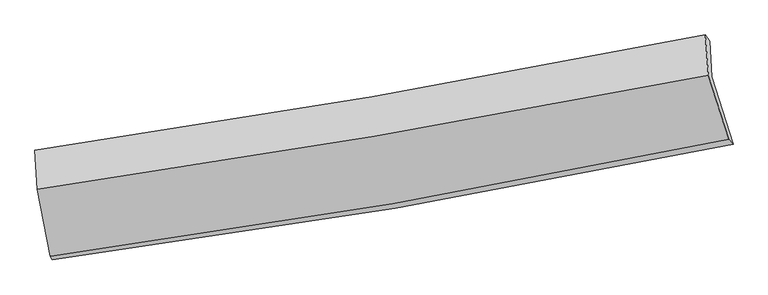
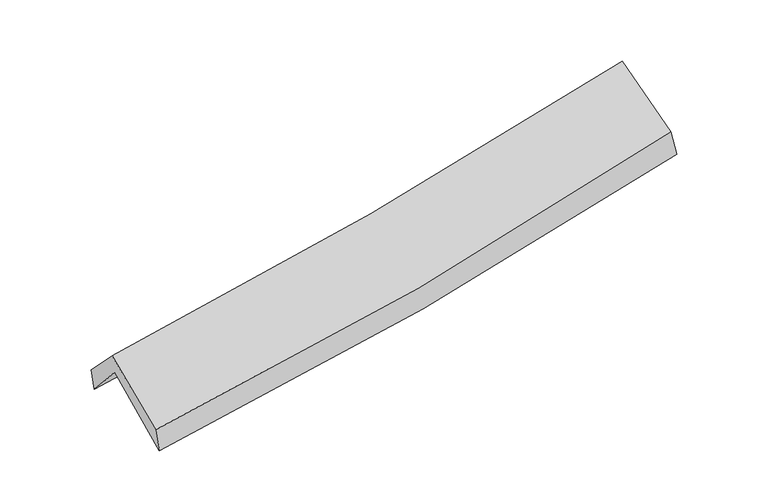
"""IFC4 building model written with IfcOpenShell, lengths in millimetres: proxy geometry."""

from ifc_helpers import new_model, si_unit, frame, origin, place, context, project, spatial, source, transform, mapped, element, save
from ifc_brep_helpers import plane_surface, spline_curve, spline_surface, advanced_brep


def generic_models_fd1964c9(model_context):
    return source(origin(), model_context, "Body", "AdvancedBrep", [
        advanced_brep(
        [(-2378.1962161, -2487.4761525, 1472.9893361), (-2474.1671163, -1993.3372876, 1921.4880822), (2395.9077483, -1160.5345161, 2366.7629735), (2551.346375, -1651.2232587, 1934.6091784), (-2489.949373, -1717.226318, 1602.3014447), (2384.096399, -904.7559943, 2049.0461803), (-2504.446693, -1693.8959068, 1773.5327307), (2350.8806337, -857.7620653, 2234.2280434), (-2486.1467567, -1974.0281654, 2062.9211692), (2371.8630864, -1148.2981743, 2535.7628254), (-2393.7133238, -2460.095753, 1651.4078124), (2519.1232813, -1613.1692386, 2126.3468815)],
        [
            (0, 1),
            (1, 2, spline_curve(3, [(-2474.1671163, -1993.3372876, 1921.4880822), (-1652.82533326, -1883.989625277, 1965.67910074), (-835.334424019, -1759.709971415, 2025.00818142), (787.986478789, -1481.964083006, 2173.580110409), (1593.853857646, -1328.642813214, 2262.675993263), (2395.9077483, -1160.5345161, 2366.7629735)], [4, 2, 4], [0.0, 8.210385929189588, 16.380820158628275])),
            (2, 3),
            (3, 0, spline_curve(3, [(2551.346375, -1651.2232587, 1934.6091784), (1739.799990247, -1820.837423491, 1832.385904441), (924.243288217, -1975.199573012, 1742.868703944), (-718.898260647, -2254.100060799, 1588.870859247), (-1546.522422102, -2378.488875763, 1524.514779147), (-2378.1962161, -2487.4761525, 1472.9893361)], [4, 2, 4], [0.0, 8.170434229438687, 16.380820158628275])),
            (1, 4),
            (4, 5, spline_curve(3, [(-2489.949373, -1717.226318, 1602.3014447), (-1669.666293438, -1606.181670532, 1653.245580158), (-852.37091965, -1482.758239081, 1716.066069163), (772.281998924, -1211.814620469, 1865.096280547), (1579.668548977, -1064.414610933, 1951.19070307), (2384.096399, -904.7559943, 2049.0461803)], [4, 2, 4], [0.0, 8.160815784922693, 16.281921078185974])),
            (5, 2),
            (4, 6),
            (6, 7, spline_curve(3, [(-2504.446693, -1693.8959068, 1773.5327307), (-1687.67833834, -1575.451522207, 1828.018971604), (-873.703529731, -1446.355655052, 1893.774419665), (744.711791878, -1167.540966899, 2047.44892892), (1549.17942552, -1017.925553179, 2135.258584972), (2350.8806337, -857.7620653, 2234.2280434)], [4, 2, 4], [0.0, 8.14975265640237, 16.25984865427726])),
            (7, 5),
            (6, 8),
            (8, 9, spline_curve(3, [(-2486.1467567, -1974.0281654, 2062.9211692), (-1668.875669513, -1858.218341712, 2120.618596853), (-854.425472843, -1731.307764046, 2188.992861012), (764.883755413, -1455.956664249, 2346.710400299), (1569.770172968, -1307.623911422, 2435.950021698), (2371.8630864, -1148.2981743, 2535.7628254)], [4, 2, 4], [0.0, 8.140433821126608, 16.241256329134853])),
            (9, 7),
            (8, 10),
            (10, 11, spline_curve(3, [(-2393.7133238, -2460.095753, 1651.4078124), (-1564.306171203, -2347.786672403, 1698.707557003), (-739.21153067, -2220.847193817, 1762.071297348), (898.358803851, -1938.396319344, 1920.540274857), (1710.876365162, -1783.02695966, 2015.489557309), (2519.1232813, -1613.1692386, 2126.3468815)], [4, 2, 4], [0.0, 8.190212756628938, 16.340571976070844])),
            (11, 9),
            (10, 0),
            (3, 11),
        ],
        [
            spline_surface(3, 3, [[(-2378.1962161, -2487.4761525, 1472.9893361), (-1546.522422142, -2378.488875771, 1524.514779085), (-718.898260525, -2254.10006068, 1588.870859292), (924.243288095, -1975.19957313, 1742.8687039), (1739.799990143, -1820.837423618, 1832.385904456), (2551.346375, -1651.2232587, 1934.6091784)], [(-2410.18651617, -2322.763197536, 1622.488918157), (-1581.95672586, -2213.655792303, 1671.569553015), (-757.710314992, -2089.303364231, 1734.249966722), (878.82435166, -1810.787743101, 1886.439172731), (1691.151279286, -1656.77255349, 1975.815934119), (2499.533499415, -1487.660344493, 2078.660443456)], [(-2442.17681623, -2158.050242564, 1771.988500143), (-1617.391029568, -2048.822708827, 1818.624326875), (-796.522369506, -1924.506667803, 1879.62907408), (833.405415178, -1646.375913095, 2030.009641489), (1642.502568483, -1492.707683382, 2119.245963716), (2447.720623885, -1324.097430307, 2222.711708444)], [(-2474.1671163, -1993.3372876, 1921.4880822), (-1652.825333286, -1883.989625359, 1965.679100805), (-835.334423973, -1759.709971354, 2025.00818151), (787.986478743, -1481.964083066, 2173.580110319), (1593.853857625, -1328.642813254, 2262.675993379), (2395.9077483, -1160.5345161, 2366.7629735)]], [4, 4], [4, 2, 4], [0.0, 2.1951571185783356], [0.0, 8.210385929189588, 16.380820158628275]),
            spline_surface(3, 3, [[(-2474.1671163, -1993.3372876, 1921.4880822), (-1652.825333286, -1883.989625359, 1965.679100805), (-835.334423973, -1759.709971354, 2025.00818151), (787.986478743, -1481.964083066, 2173.580110319), (1593.853857625, -1328.642813254, 2262.675993379), (2395.9077483, -1160.5345161, 2366.7629735)], [(-2479.427868516, -1901.300297736, 1815.092536343), (-1658.438986636, -1791.386973732, 1861.534593885), (-841.013255857, -1667.392727197, 1922.027477405), (782.751652092, -1391.914262224, 2070.752167024), (1589.12542144, -1240.56674581, 2158.847563307), (2391.97063188, -1075.275008841, 2260.857375757)], [(-2484.688620784, -1809.263307864, 1708.696990557), (-1664.052640038, -1698.784322097, 1757.390087036), (-846.692087686, -1575.075483104, 1819.046773341), (777.516825496, -1301.864441445, 1967.924223769), (1584.396985215, -1152.490678343, 2055.019133264), (2388.03351542, -990.015501559, 2154.951778043)], [(-2489.949373, -1717.226318, 1602.3014447), (-1669.666293388, -1606.18167047, 1653.245580117), (-852.37091957, -1482.758238947, 1716.066069236), (772.281998845, -1211.814620603, 1865.096280474), (1579.66854903, -1064.414610899, 1951.190703192), (2384.096399, -904.7559943, 2049.0461803)]], [4, 4], [4, 2, 4], [0.0, 1.3543611664088113], [0.0, 8.160815784922693, 16.281921078185974]),
            spline_surface(3, 3, [[(-2489.949373, -1717.226318, 1602.3014447), (-1669.666293388, -1606.18167047, 1653.245580117), (-852.37091957, -1482.758238947, 1716.066069236), (772.281998845, -1211.814620603, 1865.096280474), (1579.66854903, -1064.414610899, 1951.190703192), (2384.096399, -904.7559943, 2049.0461803)], [(-2494.781813022, -1709.449514263, 1659.378540054), (-1675.670308429, -1595.938287689, 1711.503377285), (-859.481789608, -1470.624044389, 1775.30218607), (763.091929878, -1197.05673602, 1925.880496638), (1569.50550781, -1048.918258341, 2012.546663808), (2373.024477225, -889.091351303, 2110.77346801)], [(-2499.614252978, -1701.672710537, 1716.455635346), (-1681.674323404, -1585.69490492, 1769.761174391), (-866.592659703, -1458.489849743, 1834.538302845), (753.901860855, -1182.29885135, 1986.664712742), (1559.342466615, -1033.421905773, 2073.902624394), (2361.952555475, -873.426708297, 2172.50075569)], [(-2504.446693, -1693.8959068, 1773.5327307), (-1687.678338444, -1575.45152214, 1828.018971558), (-873.703529741, -1446.355655184, 1893.774419679), (744.711791888, -1167.540966767, 2047.448928906), (1549.179425394, -1017.925553214, 2135.25858501), (2350.8806337, -857.7620653, 2234.2280434)]], [4, 4], [4, 2, 4], [0.0, 0.6105328262097799], [0.0, 8.14975265640237, 16.25984865427726]),
            spline_surface(3, 3, [[(-2504.446693, -1693.8959068, 1773.5327307), (-1687.678338444, -1575.45152214, 1828.018971558), (-873.703529741, -1446.355655184, 1893.774419679), (744.711791888, -1167.540966767, 2047.448928906), (1549.179425394, -1017.925553214, 2135.25858501), (2350.8806337, -857.7620653, 2234.2280434)], [(-2498.34671423, -1787.273326322, 1869.995543512), (-1681.41078216, -1669.707128625, 1925.552179924), (-867.277510797, -1541.339691479, 1992.180566731), (751.435779721, -1263.679532554, 2147.202752707), (1556.043007946, -1114.491672574, 2235.489063847), (2357.874784606, -954.607434968, 2334.739637379)], [(-2492.24673547, -1880.650745878, 1966.458356388), (-1675.143225887, -1763.962735143, 2023.085388353), (-860.851491807, -1636.323727824, 2090.586713866), (758.159767599, -1359.818098391, 2246.956576591), (1562.906590478, -1211.057791929, 2335.719542747), (2364.868935494, -1051.452804632, 2435.251231421)], [(-2486.1467567, -1974.0281654, 2062.9211692), (-1668.875669604, -1858.218341628, 2120.618596718), (-854.425472863, -1731.307764118, 2188.992860918), (764.883755432, -1455.956664178, 2346.710400392), (1569.770173029, -1307.623911289, 2435.950021584), (2371.8630864, -1148.2981743, 2535.7628254)]], [4, 4], [4, 2, 4], [0.0, 1.3563705011032747], [0.0, 8.140433821126608, 16.241256329134853]),
            spline_surface(3, 3, [[(-2486.1467567, -1974.0281654, 2062.9211692), (-1668.875669604, -1858.218341628, 2120.618596718), (-854.425472863, -1731.307764118, 2188.992860918), (764.883755432, -1455.956664178, 2346.710400392), (1569.770173029, -1307.623911289, 2435.950021584), (2371.8630864, -1148.2981743, 2535.7628254)], [(-2455.335612396, -2136.050694601, 1925.750050294), (-1634.0191701, -2021.407785225, 1979.981583499), (-816.020825445, -1894.487574035, 2046.685673088), (809.375438245, -1616.769882543, 2204.653691844), (1616.805570366, -1466.091594077, 2295.796533519), (2420.94981802, -1303.255195735, 2399.290844113)], [(-2424.524468104, -2298.073223799, 1788.578931306), (-1599.162670608, -2184.597228817, 1839.344570198), (-777.616178067, -2057.667383961, 1904.378485273), (853.867121018, -1777.583100917, 2062.59698331), (1663.840967744, -1624.559276862, 2155.643045416), (2470.03654968, -1458.212217165, 2262.818862787)], [(-2393.7133238, -2460.095753, 1651.4078124), (-1564.306171104, -2347.786672414, 1698.707556979), (-739.211530649, -2220.847193878, 1762.071297443), (898.35880383, -1938.396319282, 1920.540274762), (1710.876365081, -1783.026959651, 2015.489557352), (2519.1232813, -1613.1692386, 2126.3468815)]], [4, 4], [4, 2, 4], [0.0, 2.1603674721648485], [0.0, 8.190212756628938, 16.340571976070844]),
            spline_surface(3, 3, [[(-2393.7133238, -2460.095753, 1651.4078124), (-1564.306171104, -2347.786672414, 1698.707556979), (-739.211530649, -2220.847193878, 1762.071297443), (898.35880383, -1938.396319282, 1920.540274762), (1710.876365081, -1783.026959651, 2015.489557352), (2519.1232813, -1613.1692386, 2126.3468815)], [(-2388.540954566, -2469.222552841, 1591.93498694), (-1558.378254783, -2358.020740207, 1640.643297654), (-732.440440622, -2231.931482831, 1704.337818062), (906.986965238, -1950.664070584, 1861.31641781), (1720.517573456, -1795.630447633, 1954.455006372), (2529.864312554, -1625.853911959, 2062.434313786)], [(-2383.368585334, -2478.349352659, 1532.46216156), (-1552.450338463, -2368.254807977, 1582.579038409), (-725.669350552, -2243.015771727, 1646.604338674), (915.615126687, -1962.931821828, 1802.092560851), (1730.158781768, -1808.233935636, 1893.420455435), (2540.605343746, -1638.538585341, 1998.521746114)], [(-2378.1962161, -2487.4761525, 1472.9893361), (-1546.522422142, -2378.488875771, 1524.514779085), (-718.898260525, -2254.10006068, 1588.870859292), (924.243288095, -1975.19957313, 1742.8687039), (1739.799990143, -1820.837423618, 1832.385904456), (2551.346375, -1651.2232587, 1934.6091784)]], [4, 4], [4, 2, 4], [0.0, 0.5917645203295862], [0.0, 8.249146576661097, 16.458152844440942]),
            plane_surface(frame((2428.8695873, -1222.6238746, 2207.7926804), z_axis=(0.9721694154878655, 0.1988220664678783, 0.12392099691103492), x_axis=(0.2312794387484418, -0.7301030597276258, -0.6430080430201203))),
            plane_surface(frame((-2454.4365798, -2054.3432639, 1747.4400959), z_axis=(-0.9890088255228471, -0.1324646101712491, -0.06568614838836141), x_axis=(-0.08564806170783014, 0.15112856036409011, 0.9847967139303265))),
        ],
        [
            (0, [[1, 2, 3, 4]]),
            (1, [[5, 6, 7, -2]]),
            (2, [[8, 9, 10, -6]]),
            (3, [[11, 12, 13, -9]]),
            (4, [[14, 15, 16, -12]]),
            (5, [[17, -4, 18, -15]]),
            (6, [[-16, -18, -3, -7, -10, -13]]),
            (7, [[-17, -14, -11, -8, -5, -1]]),
        ],
    ),
    ])


if __name__ == "__main__":
    model = new_model("IFC4")
    model_context = context("Model", 3, world=origin())
    ifc_project = project(units=[si_unit("LENGTHUNIT", "METRE", prefix="MILLI")], contexts=[model_context])
    site = spatial("IfcSite", under=ifc_project)
    building = spatial("IfcBuilding", under=site)
    placement = place(None, origin())
    generic_models_shape = generic_models_fd1964c9(model_context)
    element("IfcBuildingElementProxy", 1, Name="Generic Models", at=placement, inside=building, context=model_context, shape_type="MappedRepresentation", body=[
        mapped(generic_models_shape, transform((0.0, 0.0, 0.0), x_axis=(1.0, 0.0, 0.0), y_axis=(0.0, 1.0, 0.0), z_axis=(0.0, 0.0, 1.0))),
    ])
    save(model, "model.ifc")
